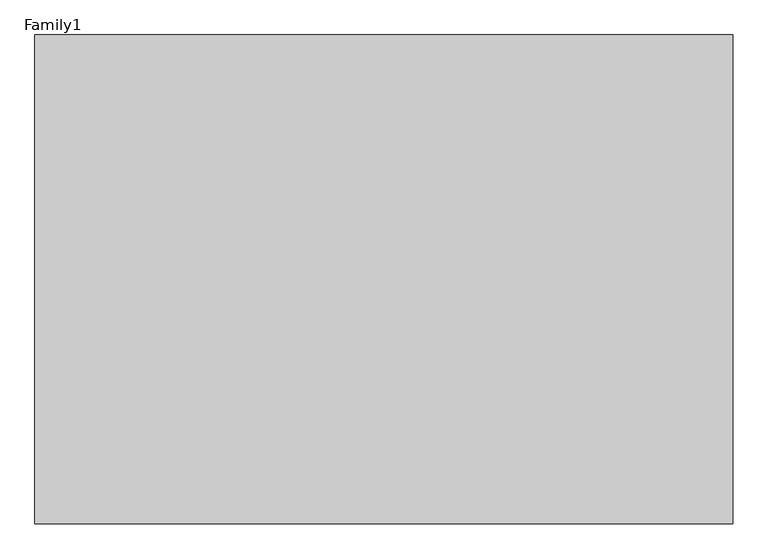
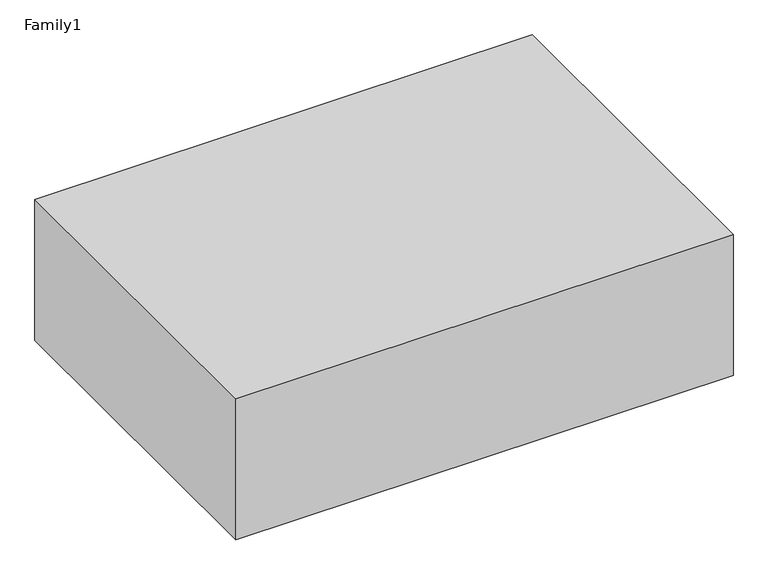
"""IFC4 building model written with IfcOpenShell, lengths in millimetres: proxy geometry, Family1."""

from ifc_helpers import new_model, si_unit, frame, origin, place, context, project, spatial, polyline, outline, extrude, source, transform, mapped, element, save


def family1_388ebb32(model_context):
    return source(origin(), model_context, "Body", "SweptSolid", [
        extrude(outline(polyline([(1000.0, 0.0), (0.0, 0.0), (0.0, 700.0), (1000.0, 700.0), (1000.0, 0.0)])), frame((0.0, 0.0, 29800.0), z_axis=(0.0, 0.0, 1.0), x_axis=(1.0, 0.0, 0.0)), (0.0, 0.0, 1.0), 300.0),
    ])


if __name__ == "__main__":
    model = new_model("IFC4")
    model_context = context("Model", 3, world=origin())
    ifc_project = project(units=[si_unit("LENGTHUNIT", "METRE", prefix="MILLI")], contexts=[model_context])
    site = spatial("IfcSite", under=ifc_project)
    building = spatial("IfcBuilding", under=site)
    placement = place(None, origin())
    family1_shape = family1_388ebb32(model_context)
    element("IfcBuildingElementProxy", 1, Name="Family1", ObjectType="Family1", at=placement, inside=building, context=model_context, shape_type="MappedRepresentation", body=[
        mapped(family1_shape, transform((0.0, 0.0, 0.0), x_axis=(1.0, 0.0, 0.0), y_axis=(0.0, 1.0, 0.0), z_axis=(0.0, 0.0, 1.0))),
    ])
    save(model, "model.ifc")
